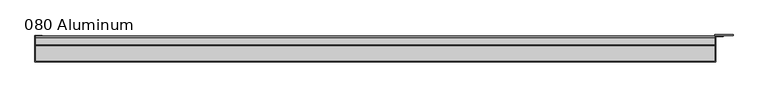
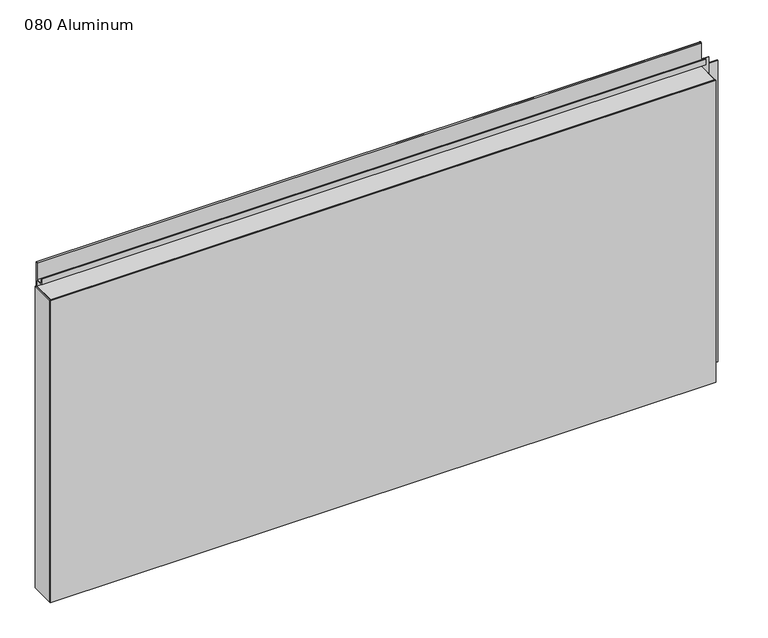
"""IFC4 building model written with IfcOpenShell, lengths in millimetres: plate geometry, 080 Aluminum."""

from ifc_helpers import new_model, si_unit, point, frame, frame_2d, origin, origin_with_axes, place, context, project, spatial, polyline, circle_curve, trimmed, segment, composite_curve, outline, extrude, source, transform, mapped, element, save


def plate_080_aluminum_40fbbbd9(model_context):
    return source(origin(), model_context, "Body", "SweptSolid", [
        extrude(outline(polyline([(-640.08, -2.5660257), (-640.08, -49.5300001), (-641.3499999, -49.5300001), (-641.3499999, -1.2699999), (-627.1894994, -1.2699999), (-627.1894994, -2.5660257), (-640.08, -2.5660257)])), origin_with_axes(), (0.0, 0.0, 1.0), 608.33),
        extrude(outline(composite_curve([segment(polyline([(-16.6765477, 13.1458337), (-16.6765477, 2.786437), (-17.9464915, 2.786437), (-17.9464915, 13.1323356)]), True, "CONTINUOUS"), segment(trimmed(circle_curve(frame_2d((-19.8514743, 13.124237)), 1.905), [point((-17.9464915, 13.1323356))], [point((-21.7564743, 13.124237))], True, "CARTESIAN"), True, "CONTINUOUS"), segment(polyline([(-21.7564743, 13.124237), (-21.7564743, 0.0), (-49.5300002, 0.0), (-49.5300002, 1.2693678), (-23.0264743, 1.2693678), (-23.0264743, 13.124237)]), True, "CONTINUOUS"), segment(trimmed(circle_curve(frame_2d((-19.8514743, 13.124237)), 3.175), [point((-23.0264743, 13.124237))], [point((-16.6765477, 13.1458337))], False, "CARTESIAN"), True, "CONTINUOUS")], self_intersect=False)), frame((-640.08, 0.0, 0.0), z_axis=(1.0, 0.0, 0.0), x_axis=(0.0, 1.0, 0.0)), (0.0, 0.0, 1.0), 1267.46),
        extrude(outline(composite_curve([segment(polyline([(-2.0574743, 656.7932001), (-2.0574743, 608.33), (-49.5300002, 608.33), (-49.5300002, 609.6000001), (-3.3274743, 609.6000001), (-3.3274743, 656.7932001)]), True, "CONTINUOUS"), segment(trimmed(circle_curve(frame_2d((-3.7084742, 656.7932001)), 0.3809999), [point((-3.3274743, 656.7932001))], [point((-4.0894742, 656.7932001))], True, "CARTESIAN"), True, "CONTINUOUS"), segment(polyline([(-4.0894742, 656.7932001), (-4.0894742, 622.3), (-20.4864742, 622.3), (-20.4864742, 633.6538), (-19.2164743, 633.6538), (-19.2164743, 623.57), (-5.3594742, 623.57), (-5.3594742, 656.7932001)]), True, "CONTINUOUS"), segment(trimmed(circle_curve(frame_2d((-3.7084742, 656.7932001)), 1.6509999), [point((-5.3594742, 656.7932001))], [point((-2.0574743, 656.7932001))], False, "CARTESIAN"), True, "CONTINUOUS")], self_intersect=False)), frame((-640.08, 0.0, 0.0), z_axis=(1.0, 0.0, 0.0), x_axis=(0.0, 1.0, 0.0)), (0.0, 0.0, 1.0), 1267.46),
        extrude(outline(polyline([(-641.35, -50.8), (-641.35, -49.5300001), (628.65, -49.5300001), (628.65, -50.8), (-641.35, -50.8)])), origin_with_axes(), (0.0, 0.0, 1.0), 609.6),
        extrude(outline(polyline([(628.65, -1.2699999), (628.65, -49.5300002), (627.3800001, -49.5300002), (627.3800001, 0.0), (661.1620856, 0.0), (661.1620856, -1.2699999), (628.65, -1.2699999)])), origin_with_axes(), (0.0, 0.0, 1.0), 608.33),
        extrude(outline(polyline([(627.38, -3.3274743), (627.38, -2.0574743), (643.1279999, -2.0574743), (643.1279999, -3.3274743), (627.38, -3.3274743)])), origin_with_axes(), (0.0, 0.0, 1.0), 622.3),
    ])


if __name__ == "__main__":
    model = new_model("IFC4")
    model_context = context("Model", 3, world=origin())
    ifc_project = project(units=[si_unit("LENGTHUNIT", "METRE", prefix="MILLI")], contexts=[model_context])
    site = spatial("IfcSite", under=ifc_project)
    building = spatial("IfcBuilding", under=site)
    placement = place(None, origin())
    plate_080_aluminum_shape = plate_080_aluminum_40fbbbd9(model_context)
    element("IfcPlate", 1, ObjectType="080 Aluminum", at=placement, inside=building, context=model_context, shape_type="MappedRepresentation", body=[
        mapped(plate_080_aluminum_shape, transform((0.0, 0.0, 0.0), x_axis=(1.0, 0.0, 0.0), y_axis=(0.0, 1.0, 0.0), z_axis=(0.0, 0.0, 1.0))),
    ])
    save(model, "model.ifc")
